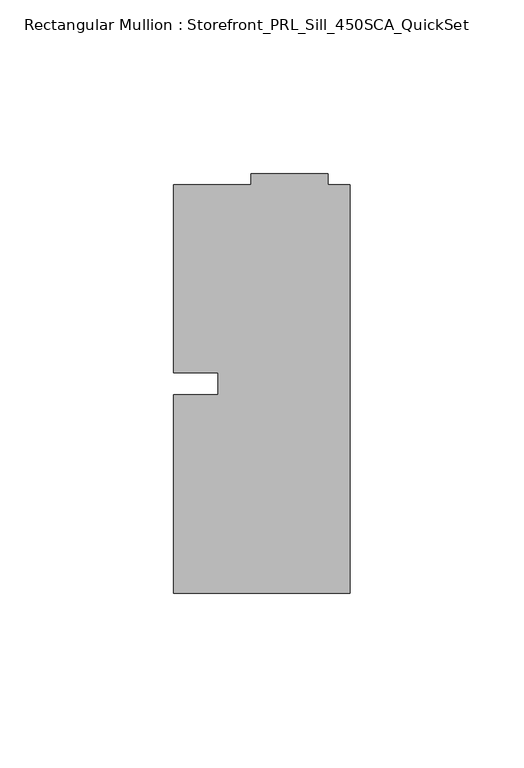
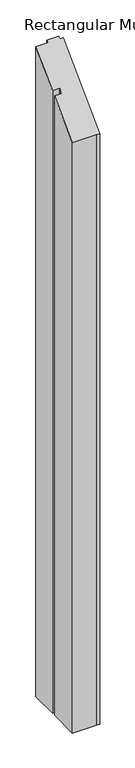
"""IFC4 building model written with IfcOpenShell, lengths in millimetres: member geometry, Rectangular Mullion : Storefront_PRL_Sill_450SCA_QuickSet."""

from ifc_helpers import new_model, si_unit, origin, place, context, project, spatial, faceted_brep, source, transform, mapped, element, save


def rectangular_mullion_storefront_prl_sill_450sca_quickset_a27a0b12(model_context):
    return source(origin(), model_context, "Body", "Brep", [
        faceted_brep([(-38.1, -3.175, -1219.2), (-38.1, 3.175, -1219.2), (-50.8, 3.175, -1219.2), (-50.8, 57.15, -1219.2), (-28.575, 57.15, -1219.2), (-28.575, 60.325, -1219.2), (-6.35, 60.325, -1219.2), (-6.35, 57.15, -1219.2), (0.0, 57.15, -1219.2), (0.0, -60.325, -1219.2), (-6.35, -60.325, -1219.2), (-50.8, -60.325, -1219.2), (-50.8, -3.175, -1219.2), (-50.8, -3.175, -3.175), (-38.1, -3.175, -3.175), (-50.8, -60.325, -60.325), (-6.35, -60.325, -60.325), (0.0, -60.325, -60.325), (0.0, 57.15, 57.15), (-6.35, 57.15, 57.15), (-6.35, 60.325, 60.325), (-28.575, 60.325, 60.325), (-28.575, 57.15, 57.15), (-50.8, 57.15, 57.15), (-50.8, 3.175, 3.175), (-38.1, 3.175, 3.175)], [[[0, 1, 2, 3, 4, 5, 6, 7, 8, 9, 10, 11, 12]], [[13, 14, 0, 12]], [[15, 13, 12, 11]], [[16, 15, 11, 10]], [[17, 16, 10, 9]], [[18, 17, 9, 8]], [[19, 18, 8, 7]], [[20, 19, 7, 6]], [[21, 20, 6, 5]], [[22, 21, 5, 4]], [[23, 22, 4, 3]], [[24, 23, 3, 2]], [[25, 24, 2, 1]], [[14, 25, 1, 0]], [[14, 13, 15, 16, 17, 18, 19, 20, 21, 22, 23, 24, 25]]]),
    ])


if __name__ == "__main__":
    model = new_model("IFC4")
    model_context = context("Model", 3, world=origin())
    ifc_project = project(units=[si_unit("LENGTHUNIT", "METRE", prefix="MILLI")], contexts=[model_context])
    site = spatial("IfcSite", under=ifc_project)
    building = spatial("IfcBuilding", under=site)
    placement = place(None, origin())
    rectangular_mullion_storefront_prl_sill_450sca_quickset_shape = rectangular_mullion_storefront_prl_sill_450sca_quickset_a27a0b12(model_context)
    element("IfcMember", 1, ObjectType="Rectangular Mullion : Storefront_PRL_Sill_450SCA_QuickSet", at=placement, inside=building, context=model_context, shape_type="MappedRepresentation", body=[
        mapped(rectangular_mullion_storefront_prl_sill_450sca_quickset_shape, transform((0.0, 0.0, 0.0), x_axis=(1.0, 0.0, 0.0), y_axis=(0.0, 1.0, 0.0), z_axis=(0.0, 0.0, 1.0))),
    ])
    save(model, "model.ifc")
